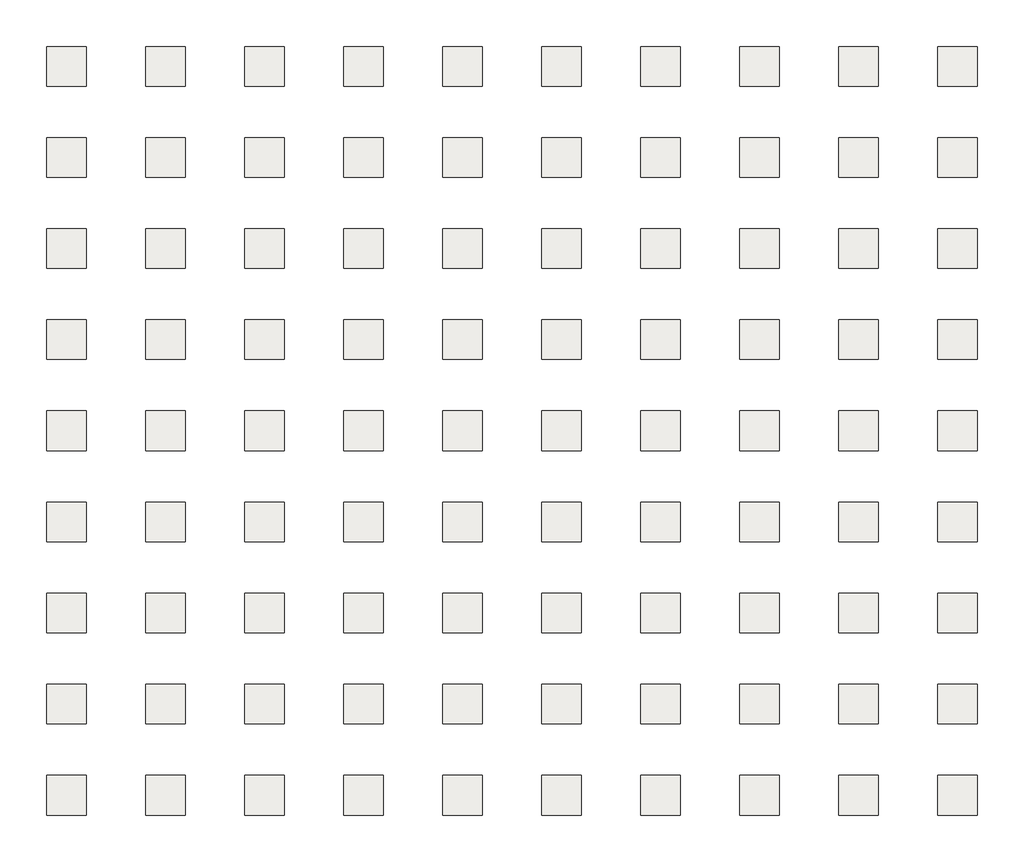
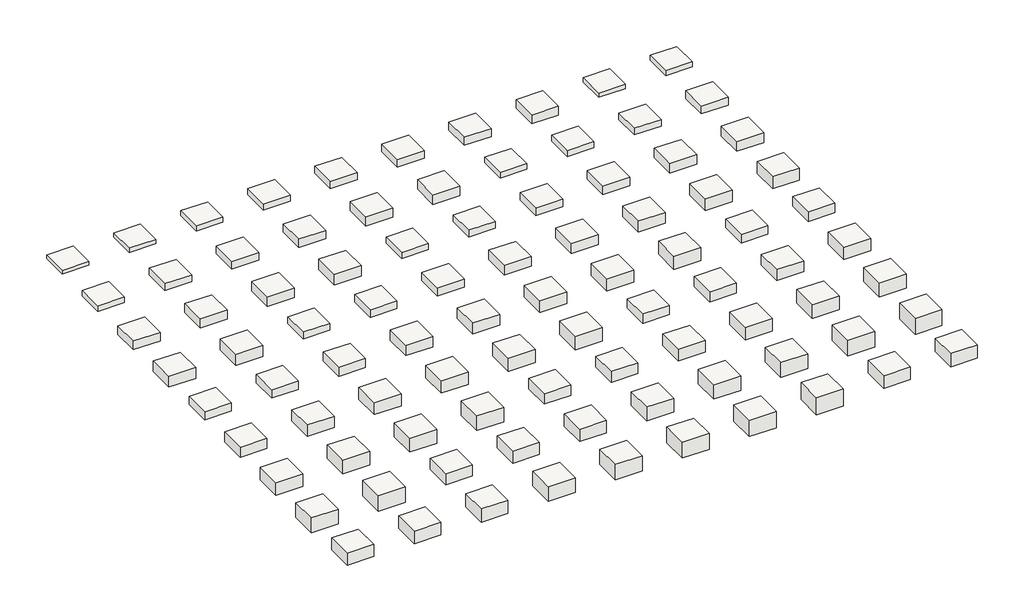
# One storey: 90 slabs.
"""IFC4 building model written with IfcOpenShell, lengths in millimetres."""

import ifcopenshell
import ifcopenshell.guid

model = None  # the IFC model being written
_history = None  # IfcOwnerHistory: only IFC2X3 demands one
_inside = {}  # id of a spatial element -> (the spatial element, [elements in it])
_under = {}  # id of a project, library or spatial element -> (it, [spatial elements below it])
_declared = {}  # id of a project -> (the project, [libraries it declares])
_typed = {}  # id of a type object -> (the type object, [elements of that type])
_made_of = {}  # id of a material, layer set ... -> (it, [elements and type objects made of it])


def new_model(schema):
    """Start an empty IFC model of exactly this schema.

    Asked for "IFC4X3", IfcOpenShell would pick the latest addendum, in which some entities
    have other attributes; the version numbers below select the first issue.
    IFC2X3 requires an IfcOwnerHistory on every rooted entity: one is made here for all.
    """
    global model, _history
    if schema == "IFC4X3":
        model = ifcopenshell.file(schema_version=(4, 3, 0, 0))
    else:
        model = ifcopenshell.file(schema=schema)
    _inside.clear()
    _under.clear()
    _declared.clear()
    _typed.clear()
    _made_of.clear()
    _history = None
    if model.schema == "IFC2X3":
        org = make("IfcOrganization", Name="unknown")
        user = make(
            "IfcPersonAndOrganization",
            ThePerson=make("IfcPerson", FamilyName="unknown"),
            TheOrganization=org,
        )
        app = make(
            "IfcApplication",
            ApplicationDeveloper=org,
            Version="unknown",
            ApplicationFullName="unknown",
            ApplicationIdentifier="unknown",
        )
        _history = make(
            "IfcOwnerHistory",
            OwningUser=user,
            OwningApplication=app,
            ChangeAction="ADDED",
            CreationDate=0,
        )
    return model


def make(cls, **values):
    """One entity of the class cls with the attributes given. An attribute that is None is left unset."""
    return model.create_entity(
        cls, **{name: value for name, value in values.items() if value is not None}
    )


def rooted(cls, **values):
    """An entity with a GlobalId (a new one), such as an element, a storey or a relation."""
    return make(cls, GlobalId=ifcopenshell.guid.new(), OwnerHistory=_history, **values)


def si_unit(unit_type, name, prefix=None):
    """IfcSIUnit, for example si_unit("LENGTHUNIT", "METRE", prefix="MILLI")."""
    return make("IfcSIUnit", UnitType=unit_type, Prefix=prefix, Name=name)


def assignment(units):
    """IfcUnitAssignment: the units of a project."""
    return None if units is None else make("IfcUnitAssignment", Units=units)


def point(xyz):
    """IfcCartesianPoint."""
    return None if xyz is None else make("IfcCartesianPoint", Coordinates=xyz)


def direction(xyz):
    """IfcDirection."""
    return None if xyz is None else make("IfcDirection", DirectionRatios=xyz)


def frame(location, z_axis=None, x_axis=None):
    """IfcAxis2Placement3D, a coordinate frame: its origin and axes. An axis left out is left unset."""
    return make(
        "IfcAxis2Placement3D",
        Location=point(location),
        Axis=direction(z_axis),
        RefDirection=direction(x_axis),
    )


def origin():
    """The frame at (0, 0, 0) with its axes left unset."""
    return frame((0.0, 0.0, 0.0))


def place(relative_to, where):
    """IfcLocalPlacement: puts the frame where relative to a parent placement (None: the world)."""
    return make(
        "IfcLocalPlacement", PlacementRelTo=relative_to, RelativePlacement=where
    )


def context(
    kind, dimensions, precision=None, world=None, true_north=None, identifier=None
):
    """IfcGeometricRepresentationContext, for example the 3D "Model" context."""
    return make(
        "IfcGeometricRepresentationContext",
        ContextIdentifier=identifier,
        ContextType=kind,
        CoordinateSpaceDimension=dimensions,
        Precision=precision,
        WorldCoordinateSystem=world,
        TrueNorth=true_north,
    )


def project(units=None, contexts=None):
    """IfcProject with its units and contexts."""
    return rooted(
        "IfcProject",
        Name="project",
        RepresentationContexts=contexts,
        UnitsInContext=assignment(units),
    )


def spatial(cls, under=None, at=None, **own):
    """A site, building, storey or space (cls), placed at a placement, below another one or the project."""
    s = rooted(cls, ObjectPlacement=at, **own)
    if under is not None:
        _under.setdefault(under.id(), (under, []))[1].append(s)
    return s


def polyline(points):
    """IfcPolyline through the points."""
    return make("IfcPolyline", Points=[point(p) for p in points])


def outline(outer, holes=None, kind="AREA"):
    """IfcArbitraryClosedProfileDef: a profile drawn as a closed curve; with holes, ...WithVoids."""
    if holes is None:
        return make("IfcArbitraryClosedProfileDef", ProfileType=kind, OuterCurve=outer)
    return make(
        "IfcArbitraryProfileDefWithVoids",
        ProfileType=kind,
        OuterCurve=outer,
        InnerCurves=holes,
    )


def extrude(swept, where, along, depth):
    """IfcExtrudedAreaSolid: the profile swept, set in the frame where, extruded along a direction by depth."""
    return make(
        "IfcExtrudedAreaSolid",
        SweptArea=swept,
        Position=where,
        ExtrudedDirection=direction(along),
        Depth=depth,
    )


def shape(context_of_items, identifier, shape_type, items):
    """IfcShapeRepresentation: the items that make up one representation, for example the "Body"."""
    return make(
        "IfcShapeRepresentation",
        ContextOfItems=context_of_items,
        RepresentationIdentifier=identifier,
        RepresentationType=shape_type,
        Items=items,
    )


def made_of(thing, what):
    """Note that an element or type object is made of a material, layer set ...; save() writes the relation."""
    if what is not None:
        _made_of.setdefault(what.id(), (what, []))[1].append(thing)
    return thing


def element(
    cls,
    number,
    at=None,
    inside=None,
    cuts=None,
    type_object=None,
    material=None,
    context=None,
    identifier="Body",
    shape_type=None,
    held_by="IfcProductDefinitionShape",
    body=None,
    shapes=None,
    **own,
):
    """One element of the class cls, such as IfcWall. Its Tag is "e" and its number.

    at: its placement. inside: the storey or other place that contains it. cuts: it is an
    opening in that element (IfcRelVoidsElement). A single representation is given by context,
    identifier, shape_type and body (its items); several are given by shapes. held_by: the class
    of the entity that holds the representations. save() writes the other relations.
    """
    e = rooted(cls, Tag="e%d" % number, ObjectPlacement=at, **own)
    if body is not None:
        shapes = [shape(context, identifier, shape_type, body)]
    if shapes is not None:
        e.Representation = make(held_by, Representations=shapes)
    if inside is not None:
        _inside.setdefault(inside.id(), (inside, []))[1].append(e)
    if cuts is not None:
        rooted(
            "IfcRelVoidsElement", RelatingBuildingElement=cuts, RelatedOpeningElement=e
        )
    if type_object is not None:
        _typed.setdefault(type_object.id(), (type_object, []))[1].append(e)
    return made_of(e, material)


def aggregate(whole, parts):
    """IfcRelAggregates: a whole, such as a stair, and the parts it consists of."""
    return rooted("IfcRelAggregates", RelatingObject=whole, RelatedObjects=parts)


def save(model, path):
    """Write the relations noted so far, then the file.

    IfcRelAggregates (storeys below a building ...), IfcRelContainedInSpatialStructure (elements
    in a storey), IfcRelDefinesByType, IfcRelAssociatesMaterial and IfcRelDeclares: one each for
    every whole, place, type object, material and project.
    """
    for whole, parts in _under.values():
        aggregate(whole, parts)
    for where, things in _inside.values():
        rooted(
            "IfcRelContainedInSpatialStructure",
            RelatedElements=things,
            RelatingStructure=where,
        )
    for kind, things in _typed.values():
        rooted("IfcRelDefinesByType", RelatedObjects=things, RelatingType=kind)
    for what, things in _made_of.values():
        rooted("IfcRelAssociatesMaterial", RelatedObjects=things, RelatingMaterial=what)
    for by, libraries in _declared.values():
        rooted("IfcRelDeclares", RelatingContext=by, RelatedDefinitions=libraries)
    model.write(path)


model = new_model("IFC4")

# Units and contexts
model_context = context("Model", 3, world=origin())
ifc_project = project(units=[si_unit("LENGTHUNIT", "METRE", prefix="MILLI")], contexts=[model_context])

# Site, building, storey
site = spatial("IfcSite", under=ifc_project)
building = spatial("IfcBuilding", under=site)
storey = spatial("IfcBuildingStorey", under=building, Elevation=3048.0)

# Slabs
placement = place(None, origin())
element("IfcSlab", 1, at=placement, inside=storey, context=model_context, shape_type="SweptSolid", body=[
    extrude(outline(polyline([(-14105.0701756, 9343.3069064), (-14105.0701756, 6295.3069064), (-17153.0701756, 6295.3069064), (-17153.0701756, 9343.3069064), (-14105.0701756, 9343.3069064)])), frame((0.0, 0.0, 2618.7400036), z_axis=(0.0, 0.0, 1.0), x_axis=(1.0, 0.0, 0.0)), (0.0, 0.0, 1.0), 429.2599964),
])
element("IfcSlab", 2, at=placement, inside=storey, context=model_context, shape_type="SweptSolid", body=[
    extrude(outline(polyline([(-6485.0701756, 9343.3069064), (-6485.0701756, 6295.3069064), (-9533.0701756, 6295.3069064), (-9533.0701756, 9343.3069064), (-6485.0701756, 9343.3069064)])), frame((0.0, 0.0, 2542.5400029), z_axis=(0.0, 0.0, 1.0), x_axis=(1.0, 0.0, 0.0)), (0.0, 0.0, 1.0), 505.4599971),
])
element("IfcSlab", 3, at=placement, inside=storey, context=model_context, shape_type="SweptSolid", body=[
    extrude(outline(polyline([(1134.9298244, 9343.3069064), (1134.9298244, 6295.3069064), (-1913.0701756, 6295.3069064), (-1913.0701756, 9343.3069064), (1134.9298244, 9343.3069064)])), frame((0.0, 0.0, 2466.3400029), z_axis=(0.0, 0.0, 1.0), x_axis=(1.0, 0.0, 0.0)), (0.0, 0.0, 1.0), 581.6599971),
])
element("IfcSlab", 4, at=placement, inside=storey, context=model_context, shape_type="SweptSolid", body=[
    extrude(outline(polyline([(8754.9298244, 9343.3069064), (8754.9298244, 6295.3069064), (5706.9298244, 6295.3069064), (5706.9298244, 9343.3069064), (8754.9298244, 9343.3069064)])), frame((0.0, 0.0, 2313.9400029), z_axis=(0.0, 0.0, 1.0), x_axis=(1.0, 0.0, 0.0)), (0.0, 0.0, 1.0), 734.0599971),
])
element("IfcSlab", 5, at=placement, inside=storey, context=model_context, shape_type="SweptSolid", body=[
    extrude(outline(polyline([(16374.9298244, 9343.3069064), (16374.9298244, 6295.3069064), (13326.9298244, 6295.3069064), (13326.9298244, 9343.3069064), (16374.9298244, 9343.3069064)])), frame((0.0, 0.0, 2237.7400029), z_axis=(0.0, 0.0, 1.0), x_axis=(1.0, 0.0, 0.0)), (0.0, 0.0, 1.0), 810.2599971),
])
element("IfcSlab", 6, at=placement, inside=storey, context=model_context, shape_type="SweptSolid", body=[
    extrude(outline(polyline([(23994.9298244, 9343.3069064), (23994.9298244, 6295.3069064), (20946.9298244, 6295.3069064), (20946.9298244, 9343.3069064), (23994.9298244, 9343.3069064)])), frame((0.0, 0.0, 2161.5400029), z_axis=(0.0, 0.0, 1.0), x_axis=(1.0, 0.0, 0.0)), (0.0, 0.0, 1.0), 886.4599971),
])
element("IfcSlab", 7, at=placement, inside=storey, context=model_context, shape_type="SweptSolid", body=[
    extrude(outline(polyline([(31614.9298244, 9343.3069064), (31614.9298244, 6295.3069064), (28566.9298244, 6295.3069064), (28566.9298244, 9343.3069064), (31614.9298244, 9343.3069064)])), frame((0.0, 0.0, 2085.3400029), z_axis=(0.0, 0.0, 1.0), x_axis=(1.0, 0.0, 0.0)), (0.0, 0.0, 1.0), 962.6599971),
])
element("IfcSlab", 8, at=placement, inside=storey, context=model_context, shape_type="SweptSolid", body=[
    extrude(outline(polyline([(39234.9298244, 9343.3069064), (39234.9298244, 6295.3069064), (36186.9298244, 6295.3069064), (36186.9298244, 9343.3069064), (39234.9298244, 9343.3069064)])), frame((0.0, 0.0, 2009.1400029), z_axis=(0.0, 0.0, 1.0), x_axis=(1.0, 0.0, 0.0)), (0.0, 0.0, 1.0), 1038.8599971),
])
element("IfcSlab", 9, at=placement, inside=storey, context=model_context, shape_type="SweptSolid", body=[
    extrude(outline(polyline([(46854.9298244, 9343.3069064), (46854.9298244, 6295.3069064), (43806.9298244, 6295.3069064), (43806.9298244, 9343.3069064), (46854.9298244, 9343.3069064)])), frame((0.0, 0.0, 2517.1399908), z_axis=(0.0, 0.0, 1.0), x_axis=(1.0, 0.0, 0.0)), (0.0, 0.0, 1.0), 530.8600092),
])
element("IfcSlab", 10, at=placement, inside=storey, context=model_context, shape_type="SweptSolid", body=[
    extrude(outline(polyline([(54474.9298244, 9343.3069064), (54474.9298244, 6295.3069064), (51426.9298244, 6295.3069064), (51426.9298244, 9343.3069064), (54474.9298244, 9343.3069064)])), frame((0.0, 0.0, 2440.9399908), z_axis=(0.0, 0.0, 1.0), x_axis=(1.0, 0.0, 0.0)), (0.0, 0.0, 1.0), 607.0600092),
])
element("IfcSlab", 11, at=placement, inside=storey, context=model_context, shape_type="SweptSolid", body=[
    extrude(outline(polyline([(-14105.0701756, 2332.9069064), (-14105.0701756, -715.0930936), (-17153.0701756, -715.0930936), (-17153.0701756, 2332.9069064), (-14105.0701756, 2332.9069064)])), frame((0.0, 0.0, 2364.7399908), z_axis=(0.0, 0.0, 1.0), x_axis=(1.0, 0.0, 0.0)), (0.0, 0.0, 1.0), 683.2600092),
])
element("IfcSlab", 12, at=placement, inside=storey, context=model_context, shape_type="SweptSolid", body=[
    extrude(outline(polyline([(-6485.0701756, 2332.9069064), (-6485.0701756, -715.0930936), (-9533.0701756, -715.0930936), (-9533.0701756, 2332.9069064), (-6485.0701756, 2332.9069064)])), frame((0.0, 0.0, 2212.3399908), z_axis=(0.0, 0.0, 1.0), x_axis=(1.0, 0.0, 0.0)), (0.0, 0.0, 1.0), 835.6600092),
])
element("IfcSlab", 13, at=placement, inside=storey, context=model_context, shape_type="SweptSolid", body=[
    extrude(outline(polyline([(1134.9298244, 2332.9069064), (1134.9298244, -715.0930936), (-1913.0701756, -715.0930936), (-1913.0701756, 2332.9069064), (1134.9298244, 2332.9069064)])), frame((0.0, 0.0, 2136.1399908), z_axis=(0.0, 0.0, 1.0), x_axis=(1.0, 0.0, 0.0)), (0.0, 0.0, 1.0), 911.8600092),
])
element("IfcSlab", 14, at=placement, inside=storey, context=model_context, shape_type="SweptSolid", body=[
    extrude(outline(polyline([(8754.9298244, 2332.9069064), (8754.9298244, -715.0930936), (5706.9298244, -715.0930936), (5706.9298244, 2332.9069064), (8754.9298244, 2332.9069064)])), frame((0.0, 0.0, 2059.9399908), z_axis=(0.0, 0.0, 1.0), x_axis=(1.0, 0.0, 0.0)), (0.0, 0.0, 1.0), 988.0600092),
])
element("IfcSlab", 15, at=placement, inside=storey, context=model_context, shape_type="SweptSolid", body=[
    extrude(outline(polyline([(16374.9298244, 2332.9069064), (16374.9298244, -715.0930936), (13326.9298244, -715.0930936), (13326.9298244, 2332.9069064), (16374.9298244, 2332.9069064)])), frame((0.0, 0.0, 1983.7399908), z_axis=(0.0, 0.0, 1.0), x_axis=(1.0, 0.0, 0.0)), (0.0, 0.0, 1.0), 1064.2600092),
])
element("IfcSlab", 16, at=placement, inside=storey, context=model_context, shape_type="SweptSolid", body=[
    extrude(outline(polyline([(23994.9298244, 2332.9069064), (23994.9298244, -715.0930936), (20946.9298244, -715.0930936), (20946.9298244, 2332.9069064), (23994.9298244, 2332.9069064)])), frame((0.0, 0.0, 1907.5399908), z_axis=(0.0, 0.0, 1.0), x_axis=(1.0, 0.0, 0.0)), (0.0, 0.0, 1.0), 1140.4600092),
])
element("IfcSlab", 17, at=placement, inside=storey, context=model_context, shape_type="SweptSolid", body=[
    extrude(outline(polyline([(31614.9298244, 2332.9069064), (31614.9298244, -715.0930936), (28566.9298244, -715.0930936), (28566.9298244, 2332.9069064), (31614.9298244, 2332.9069064)])), frame((0.0, 0.0, 2418.0799944), z_axis=(0.0, 0.0, 1.0), x_axis=(1.0, 0.0, 0.0)), (0.0, 0.0, 1.0), 629.9200056),
])
element("IfcSlab", 18, at=placement, inside=storey, context=model_context, shape_type="SweptSolid", body=[
    extrude(outline(polyline([(39234.9298244, 2332.9069064), (39234.9298244, -715.0930936), (36186.9298244, -715.0930936), (36186.9298244, 2332.9069064), (39234.9298244, 2332.9069064)])), frame((0.0, 0.0, 2341.8799944), z_axis=(0.0, 0.0, 1.0), x_axis=(1.0, 0.0, 0.0)), (0.0, 0.0, 1.0), 706.1200056),
])
element("IfcSlab", 19, at=placement, inside=storey, context=model_context, shape_type="SweptSolid", body=[
    extrude(outline(polyline([(46854.9298244, 2332.9069064), (46854.9298244, -715.0930936), (43806.9298244, -715.0930936), (43806.9298244, 2332.9069064), (46854.9298244, 2332.9069064)])), frame((0.0, 0.0, 2265.6799944), z_axis=(0.0, 0.0, 1.0), x_axis=(1.0, 0.0, 0.0)), (0.0, 0.0, 1.0), 782.3200056),
])
element("IfcSlab", 20, at=placement, inside=storey, context=model_context, shape_type="SweptSolid", body=[
    extrude(outline(polyline([(54474.9298244, 2332.9069064), (54474.9298244, -715.0930936), (51426.9298244, -715.0930936), (51426.9298244, 2332.9069064), (54474.9298244, 2332.9069064)])), frame((0.0, 0.0, 2113.2799944), z_axis=(0.0, 0.0, 1.0), x_axis=(1.0, 0.0, 0.0)), (0.0, 0.0, 1.0), 934.7200056),
])
element("IfcSlab", 21, at=placement, inside=storey, context=model_context, shape_type="SweptSolid", body=[
    extrude(outline(polyline([(-14105.0701756, -4677.4930936), (-14105.0701756, -7725.4930936), (-17153.0701756, -7725.4930936), (-17153.0701756, -4677.4930936), (-14105.0701756, -4677.4930936)])), frame((0.0, 0.0, 2037.0799944), z_axis=(0.0, 0.0, 1.0), x_axis=(1.0, 0.0, 0.0)), (0.0, 0.0, 1.0), 1010.9200056),
])
element("IfcSlab", 22, at=placement, inside=storey, context=model_context, shape_type="SweptSolid", body=[
    extrude(outline(polyline([(-6485.0701756, -4677.4930936), (-6485.0701756, -7725.4930936), (-9533.0701756, -7725.4930936), (-9533.0701756, -4677.4930936), (-6485.0701756, -4677.4930936)])), frame((0.0, 0.0, 1960.8799944), z_axis=(0.0, 0.0, 1.0), x_axis=(1.0, 0.0, 0.0)), (0.0, 0.0, 1.0), 1087.1200056),
])
element("IfcSlab", 23, at=placement, inside=storey, context=model_context, shape_type="SweptSolid", body=[
    extrude(outline(polyline([(1134.9298244, -4677.4930936), (1134.9298244, -7725.4930936), (-1913.0701756, -7725.4930936), (-1913.0701756, -4677.4930936), (1134.9298244, -4677.4930936)])), frame((0.0, 0.0, 1884.6799944), z_axis=(0.0, 0.0, 1.0), x_axis=(1.0, 0.0, 0.0)), (0.0, 0.0, 1.0), 1163.3200056),
])
element("IfcSlab", 24, at=placement, inside=storey, context=model_context, shape_type="SweptSolid", body=[
    extrude(outline(polyline([(8754.9298244, -4677.4930936), (8754.9298244, -7725.4930936), (5706.9298244, -7725.4930936), (5706.9298244, -4677.4930936), (8754.9298244, -4677.4930936)])), frame((0.0, 0.0, 1808.4799944), z_axis=(0.0, 0.0, 1.0), x_axis=(1.0, 0.0, 0.0)), (0.0, 0.0, 1.0), 1239.5200056),
])
element("IfcSlab", 25, at=placement, inside=storey, context=model_context, shape_type="SweptSolid", body=[
    extrude(outline(polyline([(16374.9298244, -4677.4930936), (16374.9298244, -7725.4930936), (13326.9298244, -7725.4930936), (13326.9298244, -4677.4930936), (16374.9298244, -4677.4930936)])), frame((0.0, 0.0, 2319.0200162), z_axis=(0.0, 0.0, 1.0), x_axis=(1.0, 0.0, 0.0)), (0.0, 0.0, 1.0), 728.9799838),
])
element("IfcSlab", 26, at=placement, inside=storey, context=model_context, shape_type="SweptSolid", body=[
    extrude(outline(polyline([(23994.9298244, -4677.4930936), (23994.9298244, -7725.4930936), (20946.9298244, -7725.4930936), (20946.9298244, -4677.4930936), (23994.9298244, -4677.4930936)])), frame((0.0, 0.0, 2242.8200162), z_axis=(0.0, 0.0, 1.0), x_axis=(1.0, 0.0, 0.0)), (0.0, 0.0, 1.0), 805.1799838),
])
element("IfcSlab", 27, at=placement, inside=storey, context=model_context, shape_type="SweptSolid", body=[
    extrude(outline(polyline([(31614.9298244, -4677.4930936), (31614.9298244, -7725.4930936), (28566.9298244, -7725.4930936), (28566.9298244, -4677.4930936), (31614.9298244, -4677.4930936)])), frame((0.0, 0.0, 2166.6200162), z_axis=(0.0, 0.0, 1.0), x_axis=(1.0, 0.0, 0.0)), (0.0, 0.0, 1.0), 881.3799838),
])
element("IfcSlab", 28, at=placement, inside=storey, context=model_context, shape_type="SweptSolid", body=[
    extrude(outline(polyline([(39234.9298244, -4677.4930936), (39234.9298244, -7725.4930936), (36186.9298244, -7725.4930936), (36186.9298244, -4677.4930936), (39234.9298244, -4677.4930936)])), frame((0.0, 0.0, 2014.2200162), z_axis=(0.0, 0.0, 1.0), x_axis=(1.0, 0.0, 0.0)), (0.0, 0.0, 1.0), 1033.7799838),
])
element("IfcSlab", 29, at=placement, inside=storey, context=model_context, shape_type="SweptSolid", body=[
    extrude(outline(polyline([(46854.9298244, -4677.4930936), (46854.9298244, -7725.4930936), (43806.9298244, -7725.4930936), (43806.9298244, -4677.4930936), (46854.9298244, -4677.4930936)])), frame((0.0, 0.0, 1938.0200162), z_axis=(0.0, 0.0, 1.0), x_axis=(1.0, 0.0, 0.0)), (0.0, 0.0, 1.0), 1109.9799838),
])
element("IfcSlab", 30, at=placement, inside=storey, context=model_context, shape_type="SweptSolid", body=[
    extrude(outline(polyline([(54474.9298244, -4677.4930936), (54474.9298244, -7725.4930936), (51426.9298244, -7725.4930936), (51426.9298244, -4677.4930936), (54474.9298244, -4677.4930936)])), frame((0.0, 0.0, 1861.8200162), z_axis=(0.0, 0.0, 1.0), x_axis=(1.0, 0.0, 0.0)), (0.0, 0.0, 1.0), 1186.1799838),
])
element("IfcSlab", 31, at=placement, inside=storey, context=model_context, shape_type="SweptSolid", body=[
    extrude(outline(polyline([(-14105.0701756, -11687.8930936), (-14105.0701756, -14735.8930936), (-17153.0701756, -14735.8930936), (-17153.0701756, -11687.8930936), (-14105.0701756, -11687.8930936)])), frame((0.0, 0.0, 1785.6200162), z_axis=(0.0, 0.0, 1.0), x_axis=(1.0, 0.0, 0.0)), (0.0, 0.0, 1.0), 1262.3799838),
])
element("IfcSlab", 32, at=placement, inside=storey, context=model_context, shape_type="SweptSolid", body=[
    extrude(outline(polyline([(-6485.0701756, -11687.8930936), (-6485.0701756, -14735.8930936), (-9533.0701756, -14735.8930936), (-9533.0701756, -11687.8930936), (-6485.0701756, -11687.8930936)])), frame((0.0, 0.0, 1709.4200162), z_axis=(0.0, 0.0, 1.0), x_axis=(1.0, 0.0, 0.0)), (0.0, 0.0, 1.0), 1338.5799838),
])
element("IfcSlab", 33, at=placement, inside=storey, context=model_context, shape_type="SweptSolid", body=[
    extrude(outline(polyline([(1134.9298244, -11687.8930936), (1134.9298244, -14735.8930936), (-1913.0701756, -14735.8930936), (-1913.0701756, -11687.8930936), (1134.9298244, -11687.8930936)])), frame((0.0, 0.0, 2217.4200041), z_axis=(0.0, 0.0, 1.0), x_axis=(1.0, 0.0, 0.0)), (0.0, 0.0, 1.0), 830.5799959),
])
element("IfcSlab", 34, at=placement, inside=storey, context=model_context, shape_type="SweptSolid", body=[
    extrude(outline(polyline([(8754.9298244, -11687.8930936), (8754.9298244, -14735.8930936), (5706.9298244, -14735.8930936), (5706.9298244, -11687.8930936), (8754.9298244, -11687.8930936)])), frame((0.0, 0.0, 2141.2200041), z_axis=(0.0, 0.0, 1.0), x_axis=(1.0, 0.0, 0.0)), (0.0, 0.0, 1.0), 906.7799959),
])
element("IfcSlab", 35, at=placement, inside=storey, context=model_context, shape_type="SweptSolid", body=[
    extrude(outline(polyline([(16374.9298244, -11687.8930936), (16374.9298244, -14735.8930936), (13326.9298244, -14735.8930936), (13326.9298244, -11687.8930936), (16374.9298244, -11687.8930936)])), frame((0.0, 0.0, 2065.0200041), z_axis=(0.0, 0.0, 1.0), x_axis=(1.0, 0.0, 0.0)), (0.0, 0.0, 1.0), 982.9799959),
])
element("IfcSlab", 36, at=placement, inside=storey, context=model_context, shape_type="SweptSolid", body=[
    extrude(outline(polyline([(23994.9298244, -11687.8930936), (23994.9298244, -14735.8930936), (20946.9298244, -14735.8930936), (20946.9298244, -11687.8930936), (23994.9298244, -11687.8930936)])), frame((0.0, 0.0, 1912.6200041), z_axis=(0.0, 0.0, 1.0), x_axis=(1.0, 0.0, 0.0)), (0.0, 0.0, 1.0), 1135.3799959),
])
element("IfcSlab", 37, at=placement, inside=storey, context=model_context, shape_type="SweptSolid", body=[
    extrude(outline(polyline([(31614.9298244, -11687.8930936), (31614.9298244, -14735.8930936), (28566.9298244, -14735.8930936), (28566.9298244, -11687.8930936), (31614.9298244, -11687.8930936)])), frame((0.0, 0.0, 1836.4200041), z_axis=(0.0, 0.0, 1.0), x_axis=(1.0, 0.0, 0.0)), (0.0, 0.0, 1.0), 1211.5799959),
])
element("IfcSlab", 38, at=placement, inside=storey, context=model_context, shape_type="SweptSolid", body=[
    extrude(outline(polyline([(39234.9298244, -11687.8930936), (39234.9298244, -14735.8930936), (36186.9298244, -14735.8930936), (36186.9298244, -11687.8930936), (39234.9298244, -11687.8930936)])), frame((0.0, 0.0, 1760.2200041), z_axis=(0.0, 0.0, 1.0), x_axis=(1.0, 0.0, 0.0)), (0.0, 0.0, 1.0), 1287.7799959),
])
element("IfcSlab", 39, at=placement, inside=storey, context=model_context, shape_type="SweptSolid", body=[
    extrude(outline(polyline([(46854.9298244, -11687.8930936), (46854.9298244, -14735.8930936), (43806.9298244, -14735.8930936), (43806.9298244, -11687.8930936), (46854.9298244, -11687.8930936)])), frame((0.0, 0.0, 1684.0200041), z_axis=(0.0, 0.0, 1.0), x_axis=(1.0, 0.0, 0.0)), (0.0, 0.0, 1.0), 1363.9799959),
])
element("IfcSlab", 40, at=placement, inside=storey, context=model_context, shape_type="SweptSolid", body=[
    extrude(outline(polyline([(54474.9298244, -11687.8930936), (54474.9298244, -14735.8930936), (51426.9298244, -14735.8930936), (51426.9298244, -11687.8930936), (54474.9298244, -11687.8930936)])), frame((0.0, 0.0, 1607.8200041), z_axis=(0.0, 0.0, 1.0), x_axis=(1.0, 0.0, 0.0)), (0.0, 0.0, 1.0), 1440.1799959),
])
element("IfcSlab", 41, at=placement, inside=storey, context=model_context, shape_type="SweptSolid", body=[
    extrude(outline(polyline([(-14105.0701756, -18698.2930936), (-14105.0701756, -21746.2930936), (-17153.0701756, -21746.2930936), (-17153.0701756, -18698.2930936), (-14105.0701756, -18698.2930936)])), frame((0.0, 0.0, 2118.3599896), z_axis=(0.0, 0.0, 1.0), x_axis=(1.0, 0.0, 0.0)), (0.0, 0.0, 1.0), 929.6400104),
])
element("IfcSlab", 42, at=placement, inside=storey, context=model_context, shape_type="SweptSolid", body=[
    extrude(outline(polyline([(-6485.0701756, -18698.2930936), (-6485.0701756, -21746.2930936), (-9533.0701756, -21746.2930936), (-9533.0701756, -18698.2930936), (-6485.0701756, -18698.2930936)])), frame((0.0, 0.0, 2042.1599896), z_axis=(0.0, 0.0, 1.0), x_axis=(1.0, 0.0, 0.0)), (0.0, 0.0, 1.0), 1005.8400104),
])
element("IfcSlab", 43, at=placement, inside=storey, context=model_context, shape_type="SweptSolid", body=[
    extrude(outline(polyline([(1134.9298244, -18698.2930936), (1134.9298244, -21746.2930936), (-1913.0701756, -21746.2930936), (-1913.0701756, -18698.2930936), (1134.9298244, -18698.2930936)])), frame((0.0, 0.0, 1965.9599896), z_axis=(0.0, 0.0, 1.0), x_axis=(1.0, 0.0, 0.0)), (0.0, 0.0, 1.0), 1082.0400104),
])
element("IfcSlab", 44, at=placement, inside=storey, context=model_context, shape_type="SweptSolid", body=[
    extrude(outline(polyline([(8754.9298244, -18698.2930936), (8754.9298244, -21746.2930936), (5706.9298244, -21746.2930936), (5706.9298244, -18698.2930936), (8754.9298244, -18698.2930936)])), frame((0.0, 0.0, 1813.5599896), z_axis=(0.0, 0.0, 1.0), x_axis=(1.0, 0.0, 0.0)), (0.0, 0.0, 1.0), 1234.4400104),
])
element("IfcSlab", 45, at=placement, inside=storey, context=model_context, shape_type="SweptSolid", body=[
    extrude(outline(polyline([(16374.9298244, -18698.2930936), (16374.9298244, -21746.2930936), (13326.9298244, -21746.2930936), (13326.9298244, -18698.2930936), (16374.9298244, -18698.2930936)])), frame((0.0, 0.0, 1737.3599896), z_axis=(0.0, 0.0, 1.0), x_axis=(1.0, 0.0, 0.0)), (0.0, 0.0, 1.0), 1310.6400104),
])
element("IfcSlab", 46, at=placement, inside=storey, context=model_context, shape_type="SweptSolid", body=[
    extrude(outline(polyline([(23994.9298244, -18698.2930936), (23994.9298244, -21746.2930936), (20946.9298244, -21746.2930936), (20946.9298244, -18698.2930936), (23994.9298244, -18698.2930936)])), frame((0.0, 0.0, 1661.1599896), z_axis=(0.0, 0.0, 1.0), x_axis=(1.0, 0.0, 0.0)), (0.0, 0.0, 1.0), 1386.8400104),
])
element("IfcSlab", 47, at=placement, inside=storey, context=model_context, shape_type="SweptSolid", body=[
    extrude(outline(polyline([(31614.9298244, -18698.2930936), (31614.9298244, -21746.2930936), (28566.9298244, -21746.2930936), (28566.9298244, -18698.2930936), (31614.9298244, -18698.2930936)])), frame((0.0, 0.0, 1584.9599896), z_axis=(0.0, 0.0, 1.0), x_axis=(1.0, 0.0, 0.0)), (0.0, 0.0, 1.0), 1463.0400104),
])
element("IfcSlab", 48, at=placement, inside=storey, context=model_context, shape_type="SweptSolid", body=[
    extrude(outline(polyline([(39234.9298244, -18698.2930936), (39234.9298244, -21746.2930936), (36186.9298244, -21746.2930936), (36186.9298244, -18698.2930936), (39234.9298244, -18698.2930936)])), frame((0.0, 0.0, 1508.7599896), z_axis=(0.0, 0.0, 1.0), x_axis=(1.0, 0.0, 0.0)), (0.0, 0.0, 1.0), 1539.2400104),
])
element("IfcSlab", 49, at=placement, inside=storey, context=model_context, shape_type="SweptSolid", body=[
    extrude(outline(polyline([(46854.9298244, -18698.2930936), (46854.9298244, -21746.2930936), (43806.9298244, -21746.2930936), (43806.9298244, -18698.2930936), (46854.9298244, -18698.2930936)])), frame((0.0, 0.0, 2016.7600138), z_axis=(0.0, 0.0, 1.0), x_axis=(1.0, 0.0, 0.0)), (0.0, 0.0, 1.0), 1031.2399862),
])
element("IfcSlab", 50, at=placement, inside=storey, context=model_context, shape_type="SweptSolid", body=[
    extrude(outline(polyline([(54474.9298244, -18698.2930936), (54474.9298244, -21746.2930936), (51426.9298244, -21746.2930936), (51426.9298244, -18698.2930936), (54474.9298244, -18698.2930936)])), frame((0.0, 0.0, 1940.5600138), z_axis=(0.0, 0.0, 1.0), x_axis=(1.0, 0.0, 0.0)), (0.0, 0.0, 1.0), 1107.4399862),
])
element("IfcSlab", 51, at=placement, inside=storey, context=model_context, shape_type="SweptSolid", body=[
    extrude(outline(polyline([(-14105.0701756, -25708.6930936), (-14105.0701756, -28756.6930936), (-17153.0701756, -28756.6930936), (-17153.0701756, -25708.6930936), (-14105.0701756, -25708.6930936)])), frame((0.0, 0.0, 1864.3600138), z_axis=(0.0, 0.0, 1.0), x_axis=(1.0, 0.0, 0.0)), (0.0, 0.0, 1.0), 1183.6399862),
])
element("IfcSlab", 52, at=placement, inside=storey, context=model_context, shape_type="SweptSolid", body=[
    extrude(outline(polyline([(-6485.0701756, -25708.6930936), (-6485.0701756, -28756.6930936), (-9533.0701756, -28756.6930936), (-9533.0701756, -25708.6930936), (-6485.0701756, -25708.6930936)])), frame((0.0, 0.0, 1711.9600138), z_axis=(0.0, 0.0, 1.0), x_axis=(1.0, 0.0, 0.0)), (0.0, 0.0, 1.0), 1336.0399862),
])
element("IfcSlab", 53, at=placement, inside=storey, context=model_context, shape_type="SweptSolid", body=[
    extrude(outline(polyline([(1134.9298244, -25708.6930936), (1134.9298244, -28756.6930936), (-1913.0701756, -28756.6930936), (-1913.0701756, -25708.6930936), (1134.9298244, -25708.6930936)])), frame((0.0, 0.0, 1635.7600138), z_axis=(0.0, 0.0, 1.0), x_axis=(1.0, 0.0, 0.0)), (0.0, 0.0, 1.0), 1412.2399862),
])
element("IfcSlab", 54, at=placement, inside=storey, context=model_context, shape_type="SweptSolid", body=[
    extrude(outline(polyline([(8754.9298244, -25708.6930936), (8754.9298244, -28756.6930936), (5706.9298244, -28756.6930936), (5706.9298244, -25708.6930936), (8754.9298244, -25708.6930936)])), frame((0.0, 0.0, 1559.5600138), z_axis=(0.0, 0.0, 1.0), x_axis=(1.0, 0.0, 0.0)), (0.0, 0.0, 1.0), 1488.4399862),
])
element("IfcSlab", 55, at=placement, inside=storey, context=model_context, shape_type="SweptSolid", body=[
    extrude(outline(polyline([(16374.9298244, -25708.6930936), (16374.9298244, -28756.6930936), (13326.9298244, -28756.6930936), (13326.9298244, -25708.6930936), (16374.9298244, -25708.6930936)])), frame((0.0, 0.0, 1483.3600138), z_axis=(0.0, 0.0, 1.0), x_axis=(1.0, 0.0, 0.0)), (0.0, 0.0, 1.0), 1564.6399862),
])
element("IfcSlab", 56, at=placement, inside=storey, context=model_context, shape_type="SweptSolid", body=[
    extrude(outline(polyline([(23994.9298244, -25708.6930936), (23994.9298244, -28756.6930936), (20946.9298244, -28756.6930936), (20946.9298244, -25708.6930936), (23994.9298244, -25708.6930936)])), frame((0.0, 0.0, 1407.1600138), z_axis=(0.0, 0.0, 1.0), x_axis=(1.0, 0.0, 0.0)), (0.0, 0.0, 1.0), 1640.8399862),
])
element("IfcSlab", 57, at=placement, inside=storey, context=model_context, shape_type="SweptSolid", body=[
    extrude(outline(polyline([(31614.9298244, -25708.6930936), (31614.9298244, -28756.6930936), (28566.9298244, -28756.6930936), (28566.9298244, -25708.6930936), (31614.9298244, -25708.6930936)])), frame((0.0, 0.0, 1917.6999992), z_axis=(0.0, 0.0, 1.0), x_axis=(1.0, 0.0, 0.0)), (0.0, 0.0, 1.0), 1130.3000008),
])
element("IfcSlab", 58, at=placement, inside=storey, context=model_context, shape_type="SweptSolid", body=[
    extrude(outline(polyline([(39234.9298244, -25708.6930936), (39234.9298244, -28756.6930936), (36186.9298244, -28756.6930936), (36186.9298244, -25708.6930936), (39234.9298244, -25708.6930936)])), frame((0.0, 0.0, 1841.4999992), z_axis=(0.0, 0.0, 1.0), x_axis=(1.0, 0.0, 0.0)), (0.0, 0.0, 1.0), 1206.5000008),
])
element("IfcSlab", 59, at=placement, inside=storey, context=model_context, shape_type="SweptSolid", body=[
    extrude(outline(polyline([(46854.9298244, -25708.6930936), (46854.9298244, -28756.6930936), (43806.9298244, -28756.6930936), (43806.9298244, -25708.6930936), (46854.9298244, -25708.6930936)])), frame((0.0, 0.0, 1765.2999992), z_axis=(0.0, 0.0, 1.0), x_axis=(1.0, 0.0, 0.0)), (0.0, 0.0, 1.0), 1282.7000008),
])
element("IfcSlab", 60, at=placement, inside=storey, context=model_context, shape_type="SweptSolid", body=[
    extrude(outline(polyline([(54474.9298244, -25708.6930936), (54474.9298244, -28756.6930936), (51426.9298244, -28756.6930936), (51426.9298244, -25708.6930936), (54474.9298244, -25708.6930936)])), frame((0.0, 0.0, 1612.8999992), z_axis=(0.0, 0.0, 1.0), x_axis=(1.0, 0.0, 0.0)), (0.0, 0.0, 1.0), 1435.1000008),
])
element("IfcSlab", 61, at=placement, inside=storey, context=model_context, shape_type="SweptSolid", body=[
    extrude(outline(polyline([(-14105.0701756, -32719.0930936), (-14105.0701756, -35767.0930936), (-17153.0701756, -35767.0930936), (-17153.0701756, -32719.0930936), (-14105.0701756, -32719.0930936)])), frame((0.0, 0.0, 1536.6999992), z_axis=(0.0, 0.0, 1.0), x_axis=(1.0, 0.0, 0.0)), (0.0, 0.0, 1.0), 1511.3000008),
])
element("IfcSlab", 62, at=placement, inside=storey, context=model_context, shape_type="SweptSolid", body=[
    extrude(outline(polyline([(-6485.0701756, -32719.0930936), (-6485.0701756, -35767.0930936), (-9533.0701756, -35767.0930936), (-9533.0701756, -32719.0930936), (-6485.0701756, -32719.0930936)])), frame((0.0, 0.0, 1460.4999992), z_axis=(0.0, 0.0, 1.0), x_axis=(1.0, 0.0, 0.0)), (0.0, 0.0, 1.0), 1587.5000008),
])
element("IfcSlab", 63, at=placement, inside=storey, context=model_context, shape_type="SweptSolid", body=[
    extrude(outline(polyline([(1134.9298244, -32719.0930936), (1134.9298244, -35767.0930936), (-1913.0701756, -35767.0930936), (-1913.0701756, -32719.0930936), (1134.9298244, -32719.0930936)])), frame((0.0, 0.0, 1384.2999992), z_axis=(0.0, 0.0, 1.0), x_axis=(1.0, 0.0, 0.0)), (0.0, 0.0, 1.0), 1663.7000008),
])
element("IfcSlab", 64, at=placement, inside=storey, context=model_context, shape_type="SweptSolid", body=[
    extrude(outline(polyline([(8754.9298244, -32719.0930936), (8754.9298244, -35767.0930936), (5706.9298244, -35767.0930936), (5706.9298244, -32719.0930936), (8754.9298244, -32719.0930936)])), frame((0.0, 0.0, 1308.0999992), z_axis=(0.0, 0.0, 1.0), x_axis=(1.0, 0.0, 0.0)), (0.0, 0.0, 1.0), 1739.9000008),
])
element("IfcSlab", 65, at=placement, inside=storey, context=model_context, shape_type="SweptSolid", body=[
    extrude(outline(polyline([(16374.9298244, -32719.0930936), (16374.9298244, -35767.0930936), (13326.9298244, -35767.0930936), (13326.9298244, -32719.0930936), (16374.9298244, -32719.0930936)])), frame((0.0, 0.0, 1818.6399847), z_axis=(0.0, 0.0, 1.0), x_axis=(1.0, 0.0, 0.0)), (0.0, 0.0, 1.0), 1229.3600153),
])
element("IfcSlab", 66, at=placement, inside=storey, context=model_context, shape_type="SweptSolid", body=[
    extrude(outline(polyline([(23994.9298244, -32719.0930936), (23994.9298244, -35767.0930936), (20946.9298244, -35767.0930936), (20946.9298244, -32719.0930936), (23994.9298244, -32719.0930936)])), frame((0.0, 0.0, 1742.4399847), z_axis=(0.0, 0.0, 1.0), x_axis=(1.0, 0.0, 0.0)), (0.0, 0.0, 1.0), 1305.5600153),
])
element("IfcSlab", 67, at=placement, inside=storey, context=model_context, shape_type="SweptSolid", body=[
    extrude(outline(polyline([(31614.9298244, -32719.0930936), (31614.9298244, -35767.0930936), (28566.9298244, -35767.0930936), (28566.9298244, -32719.0930936), (31614.9298244, -32719.0930936)])), frame((0.0, 0.0, 1666.2399847), z_axis=(0.0, 0.0, 1.0), x_axis=(1.0, 0.0, 0.0)), (0.0, 0.0, 1.0), 1381.7600153),
])
element("IfcSlab", 68, at=placement, inside=storey, context=model_context, shape_type="SweptSolid", body=[
    extrude(outline(polyline([(39234.9298244, -32719.0930936), (39234.9298244, -35767.0930936), (36186.9298244, -35767.0930936), (36186.9298244, -32719.0930936), (39234.9298244, -32719.0930936)])), frame((0.0, 0.0, 1513.8399847), z_axis=(0.0, 0.0, 1.0), x_axis=(1.0, 0.0, 0.0)), (0.0, 0.0, 1.0), 1534.1600153),
])
element("IfcSlab", 69, at=placement, inside=storey, context=model_context, shape_type="SweptSolid", body=[
    extrude(outline(polyline([(46854.9298244, -32719.0930936), (46854.9298244, -35767.0930936), (43806.9298244, -35767.0930936), (43806.9298244, -32719.0930936), (46854.9298244, -32719.0930936)])), frame((0.0, 0.0, 1437.6399847), z_axis=(0.0, 0.0, 1.0), x_axis=(1.0, 0.0, 0.0)), (0.0, 0.0, 1.0), 1610.3600153),
])
element("IfcSlab", 70, at=placement, inside=storey, context=model_context, shape_type="SweptSolid", body=[
    extrude(outline(polyline([(54474.9298244, -32719.0930936), (54474.9298244, -35767.0930936), (51426.9298244, -35767.0930936), (51426.9298244, -32719.0930936), (54474.9298244, -32719.0930936)])), frame((0.0, 0.0, 1361.4399847), z_axis=(0.0, 0.0, 1.0), x_axis=(1.0, 0.0, 0.0)), (0.0, 0.0, 1.0), 1686.5600153),
])
element("IfcSlab", 71, at=placement, inside=storey, context=model_context, shape_type="SweptSolid", body=[
    extrude(outline(polyline([(-14105.0701756, -39729.4930936), (-14105.0701756, -42777.4930936), (-17153.0701756, -42777.4930936), (-17153.0701756, -39729.4930936), (-14105.0701756, -39729.4930936)])), frame((0.0, 0.0, 1285.2399847), z_axis=(0.0, 0.0, 1.0), x_axis=(1.0, 0.0, 0.0)), (0.0, 0.0, 1.0), 1762.7600153),
])
element("IfcSlab", 72, at=placement, inside=storey, context=model_context, shape_type="SweptSolid", body=[
    extrude(outline(polyline([(-6485.0701756, -39729.4930936), (-6485.0701756, -42777.4930936), (-9533.0701756, -42777.4930936), (-9533.0701756, -39729.4930936), (-6485.0701756, -39729.4930936)])), frame((0.0, 0.0, 1209.0399847), z_axis=(0.0, 0.0, 1.0), x_axis=(1.0, 0.0, 0.0)), (0.0, 0.0, 1.0), 1838.9600153),
])
element("IfcSlab", 73, at=placement, inside=storey, context=model_context, shape_type="SweptSolid", body=[
    extrude(outline(polyline([(1134.9298244, -39729.4930936), (1134.9298244, -42777.4930936), (-1913.0701756, -42777.4930936), (-1913.0701756, -39729.4930936), (1134.9298244, -39729.4930936)])), frame((0.0, 0.0, 1717.0400089), z_axis=(0.0, 0.0, 1.0), x_axis=(1.0, 0.0, 0.0)), (0.0, 0.0, 1.0), 1330.9599911),
])
element("IfcSlab", 74, at=placement, inside=storey, context=model_context, shape_type="SweptSolid", body=[
    extrude(outline(polyline([(8754.9298244, -39729.4930936), (8754.9298244, -42777.4930936), (5706.9298244, -42777.4930936), (5706.9298244, -39729.4930936), (8754.9298244, -39729.4930936)])), frame((0.0, 0.0, 1640.8400089), z_axis=(0.0, 0.0, 1.0), x_axis=(1.0, 0.0, 0.0)), (0.0, 0.0, 1.0), 1407.1599911),
])
element("IfcSlab", 75, at=placement, inside=storey, context=model_context, shape_type="SweptSolid", body=[
    extrude(outline(polyline([(16374.9298244, -39729.4930936), (16374.9298244, -42777.4930936), (13326.9298244, -42777.4930936), (13326.9298244, -39729.4930936), (16374.9298244, -39729.4930936)])), frame((0.0, 0.0, 1564.6400089), z_axis=(0.0, 0.0, 1.0), x_axis=(1.0, 0.0, 0.0)), (0.0, 0.0, 1.0), 1483.3599911),
])
element("IfcSlab", 76, at=placement, inside=storey, context=model_context, shape_type="SweptSolid", body=[
    extrude(outline(polyline([(23994.9298244, -39729.4930936), (23994.9298244, -42777.4930936), (20946.9298244, -42777.4930936), (20946.9298244, -39729.4930936), (23994.9298244, -39729.4930936)])), frame((0.0, 0.0, 1412.2400089), z_axis=(0.0, 0.0, 1.0), x_axis=(1.0, 0.0, 0.0)), (0.0, 0.0, 1.0), 1635.7599911),
])
element("IfcSlab", 77, at=placement, inside=storey, context=model_context, shape_type="SweptSolid", body=[
    extrude(outline(polyline([(31614.9298244, -39729.4930936), (31614.9298244, -42777.4930936), (28566.9298244, -42777.4930936), (28566.9298244, -39729.4930936), (31614.9298244, -39729.4930936)])), frame((0.0, 0.0, 1336.0400089), z_axis=(0.0, 0.0, 1.0), x_axis=(1.0, 0.0, 0.0)), (0.0, 0.0, 1.0), 1711.9599911),
])
element("IfcSlab", 78, at=placement, inside=storey, context=model_context, shape_type="SweptSolid", body=[
    extrude(outline(polyline([(39234.9298244, -39729.4930936), (39234.9298244, -42777.4930936), (36186.9298244, -42777.4930936), (36186.9298244, -39729.4930936), (39234.9298244, -39729.4930936)])), frame((0.0, 0.0, 1259.8400089), z_axis=(0.0, 0.0, 1.0), x_axis=(1.0, 0.0, 0.0)), (0.0, 0.0, 1.0), 1788.1599911),
])
element("IfcSlab", 79, at=placement, inside=storey, context=model_context, shape_type="SweptSolid", body=[
    extrude(outline(polyline([(46854.9298244, -39729.4930936), (46854.9298244, -42777.4930936), (43806.9298244, -42777.4930936), (43806.9298244, -39729.4930936), (46854.9298244, -39729.4930936)])), frame((0.0, 0.0, 1183.6400089), z_axis=(0.0, 0.0, 1.0), x_axis=(1.0, 0.0, 0.0)), (0.0, 0.0, 1.0), 1864.3599911),
])
element("IfcSlab", 80, at=placement, inside=storey, context=model_context, shape_type="SweptSolid", body=[
    extrude(outline(polyline([(54474.9298244, -39729.4930936), (54474.9298244, -42777.4930936), (51426.9298244, -42777.4930936), (51426.9298244, -39729.4930936), (54474.9298244, -39729.4930936)])), frame((0.0, 0.0, 1107.4400089), z_axis=(0.0, 0.0, 1.0), x_axis=(1.0, 0.0, 0.0)), (0.0, 0.0, 1.0), 1940.5599911),
])
element("IfcSlab", 81, at=placement, inside=storey, context=model_context, shape_type="SweptSolid", body=[
    extrude(outline(polyline([(-14105.0701756, -46739.8930936), (-14105.0701756, -49787.8930936), (-17153.0701756, -49787.8930936), (-17153.0701756, -46739.8930936), (-14105.0701756, -46739.8930936)])), frame((0.0, 0.0, 1617.9799944), z_axis=(0.0, 0.0, 1.0), x_axis=(1.0, 0.0, 0.0)), (0.0, 0.0, 1.0), 1430.0200056),
])
element("IfcSlab", 82, at=placement, inside=storey, context=model_context, shape_type="SweptSolid", body=[
    extrude(outline(polyline([(-6485.0701756, -46739.8930936), (-6485.0701756, -49787.8930936), (-9533.0701756, -49787.8930936), (-9533.0701756, -46739.8930936), (-6485.0701756, -46739.8930936)])), frame((0.0, 0.0, 1541.7799944), z_axis=(0.0, 0.0, 1.0), x_axis=(1.0, 0.0, 0.0)), (0.0, 0.0, 1.0), 1506.2200056),
])
element("IfcSlab", 83, at=placement, inside=storey, context=model_context, shape_type="SweptSolid", body=[
    extrude(outline(polyline([(1134.9298244, -46739.8930936), (1134.9298244, -49787.8930936), (-1913.0701756, -49787.8930936), (-1913.0701756, -46739.8930936), (1134.9298244, -46739.8930936)])), frame((0.0, 0.0, 1465.5799944), z_axis=(0.0, 0.0, 1.0), x_axis=(1.0, 0.0, 0.0)), (0.0, 0.0, 1.0), 1582.4200056),
])
element("IfcSlab", 84, at=placement, inside=storey, context=model_context, shape_type="SweptSolid", body=[
    extrude(outline(polyline([(8754.9298244, -46739.8930936), (8754.9298244, -49787.8930936), (5706.9298244, -49787.8930936), (5706.9298244, -46739.8930936), (8754.9298244, -46739.8930936)])), frame((0.0, 0.0, 1313.1799944), z_axis=(0.0, 0.0, 1.0), x_axis=(1.0, 0.0, 0.0)), (0.0, 0.0, 1.0), 1734.8200056),
])
element("IfcSlab", 85, at=placement, inside=storey, context=model_context, shape_type="SweptSolid", body=[
    extrude(outline(polyline([(16374.9298244, -46739.8930936), (16374.9298244, -49787.8930936), (13326.9298244, -49787.8930936), (13326.9298244, -46739.8930936), (16374.9298244, -46739.8930936)])), frame((0.0, 0.0, 1236.9799944), z_axis=(0.0, 0.0, 1.0), x_axis=(1.0, 0.0, 0.0)), (0.0, 0.0, 1.0), 1811.0200056),
])
element("IfcSlab", 86, at=placement, inside=storey, context=model_context, shape_type="SweptSolid", body=[
    extrude(outline(polyline([(23994.9298244, -46739.8930936), (23994.9298244, -49787.8930936), (20946.9298244, -49787.8930936), (20946.9298244, -46739.8930936), (23994.9298244, -46739.8930936)])), frame((0.0, 0.0, 1160.7799944), z_axis=(0.0, 0.0, 1.0), x_axis=(1.0, 0.0, 0.0)), (0.0, 0.0, 1.0), 1887.2200056),
])
element("IfcSlab", 87, at=placement, inside=storey, context=model_context, shape_type="SweptSolid", body=[
    extrude(outline(polyline([(31614.9298244, -46739.8930936), (31614.9298244, -49787.8930936), (28566.9298244, -49787.8930936), (28566.9298244, -46739.8930936), (31614.9298244, -46739.8930936)])), frame((0.0, 0.0, 1084.5799944), z_axis=(0.0, 0.0, 1.0), x_axis=(1.0, 0.0, 0.0)), (0.0, 0.0, 1.0), 1963.4200056),
])
element("IfcSlab", 88, at=placement, inside=storey, context=model_context, shape_type="SweptSolid", body=[
    extrude(outline(polyline([(39234.9298244, -46739.8930936), (39234.9298244, -49787.8930936), (36186.9298244, -49787.8930936), (36186.9298244, -46739.8930936), (39234.9298244, -46739.8930936)])), frame((0.0, 0.0, 1008.3799944), z_axis=(0.0, 0.0, 1.0), x_axis=(1.0, 0.0, 0.0)), (0.0, 0.0, 1.0), 2039.6200056),
])
element("IfcSlab", 89, at=placement, inside=storey, context=model_context, shape_type="SweptSolid", body=[
    extrude(outline(polyline([(46854.9298244, -46739.8930936), (46854.9298244, -49787.8930936), (43806.9298244, -49787.8930936), (43806.9298244, -46739.8930936), (46854.9298244, -46739.8930936)])), frame((0.0, 0.0, 1518.9199799), z_axis=(0.0, 0.0, 1.0), x_axis=(1.0, 0.0, 0.0)), (0.0, 0.0, 1.0), 1529.0800201),
])
element("IfcSlab", 90, at=placement, inside=storey, context=model_context, shape_type="SweptSolid", body=[
    extrude(outline(polyline([(54474.9298244, -46739.8930936), (54474.9298244, -49787.8930936), (51426.9298244, -49787.8930936), (51426.9298244, -46739.8930936), (54474.9298244, -46739.8930936)])), frame((0.0, 0.0, 1442.7199799), z_axis=(0.0, 0.0, 1.0), x_axis=(1.0, 0.0, 0.0)), (0.0, 0.0, 1.0), 1605.2800201),
])

save(model, "model.ifc")
